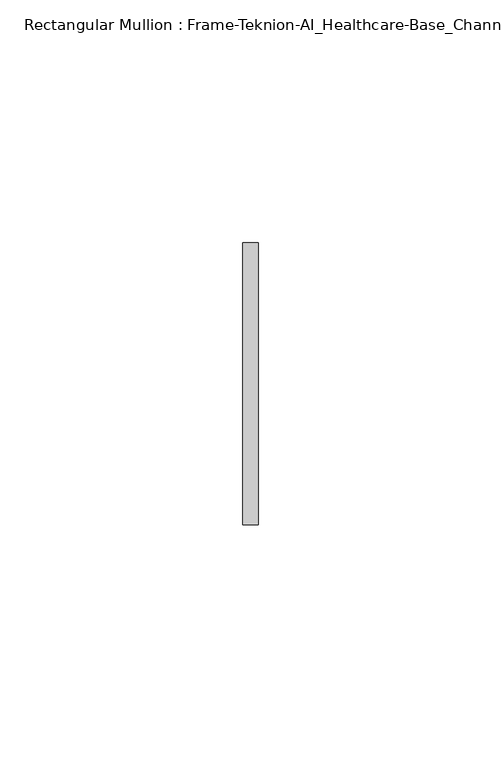
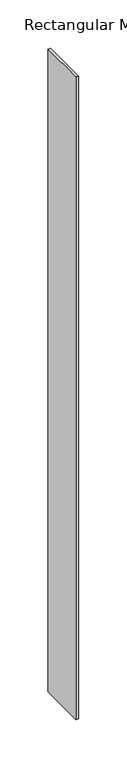
"""IFC4 building model written with IfcOpenShell, lengths in millimetres: member geometry, Rectangular Mullion : Frame-Teknion-AI_Healthcare-Base_Channel."""

from ifc_helpers import new_model, si_unit, frame, origin, place, context, project, spatial, polyline, outline, extrude, source, transform, mapped, element, save


def rectangular_mullion_frame_teknion_ai_healthcare_base_channel_8320a536(model_context):
    return source(origin(), model_context, "Body", "SweptSolid", [
        extrude(outline(polyline([(0.0, 29.0214844), (0.0, -29.0214844), (-3.175, -29.0214844), (-3.175, 29.0214844), (0.0, 29.0214844)])), frame((0.0, 0.0, -812.8), z_axis=(0.0, 0.0, 1.0), x_axis=(1.0, 0.0, 0.0)), (0.0, 0.0, 1.0), 812.8),
    ])


if __name__ == "__main__":
    model = new_model("IFC4")
    model_context = context("Model", 3, world=origin())
    ifc_project = project(units=[si_unit("LENGTHUNIT", "METRE", prefix="MILLI")], contexts=[model_context])
    site = spatial("IfcSite", under=ifc_project)
    building = spatial("IfcBuilding", under=site)
    placement = place(None, origin())
    rectangular_mullion_frame_teknion_ai_healthcare_base_channel_shape = rectangular_mullion_frame_teknion_ai_healthcare_base_channel_8320a536(model_context)
    element("IfcMember", 1, ObjectType="Rectangular Mullion : Frame-Teknion-AI_Healthcare-Base_Channel", at=placement, inside=building, context=model_context, shape_type="MappedRepresentation", body=[
        mapped(rectangular_mullion_frame_teknion_ai_healthcare_base_channel_shape, transform((0.0, 0.0, 0.0), x_axis=(1.0, 0.0, 0.0), y_axis=(0.0, 1.0, 0.0), z_axis=(0.0, 0.0, 1.0))),
    ])
    save(model, "model.ifc")
